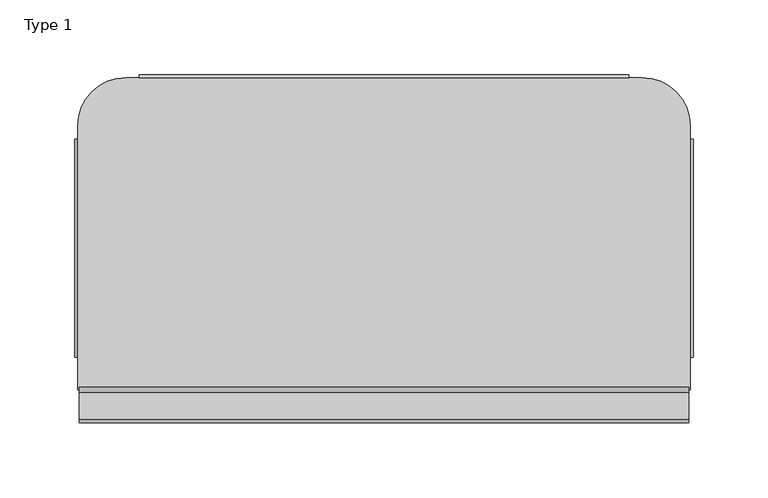
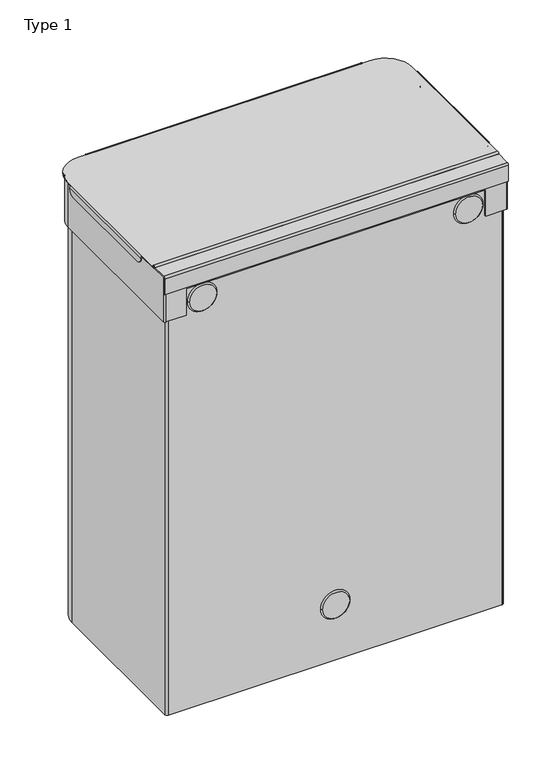
"""IFC4 building model written with IfcOpenShell, lengths in millimetres: furniture geometry, Type 1."""

from ifc_helpers import new_model, si_unit, point, frame, frame_2d, origin, place, context, project, spatial, polyline, circle_curve, trimmed, segment, composite_curve, outline, extrude, source, transform, mapped, element, save
from ifc_brep_helpers import plane_surface, cylinder_surface, revolved_surface, advanced_brep


def type_1_30b3a7b4(model_context):
    return source(origin(), model_context, "Body", "SolidModel", [
        extrude(outline(composite_curve([segment(trimmed(circle_curve(frame_2d((97.9998199, 551.9999911)), 1.6998962), [point((96.2999237, 551.9999911))], [point((99.6997162, 551.9999911))], False, "CARTESIAN"), True, "CONTINUOUS"), segment(trimmed(circle_curve(frame_2d((97.9998199, 551.9999911)), 1.6998962), [point((99.6997162, 551.9999911))], [point((96.2999237, 551.9999911))], False, "CARTESIAN"), True, "CONTINUOUS")], self_intersect=False)), frame((-78.6476732, 0.0, 0.0), z_axis=(1.0, 0.0, 0.0), x_axis=(0.0, 1.0, 0.0)), (0.0, 0.0, 1.0), 407.3202323),
        advanced_brep(
        [(-38.4999851, 307.499823, 550.0000769), (-38.4999851, 306.499884, 551.0000158), (-38.4999851, 306.499884, 551.9999911), (-38.4999851, 308.5000526, 549.9998225), (288.5000015, 308.5000526, 549.9998225), (288.5000015, 306.499884, 551.9999911), (288.5000015, 306.499884, 551.0000158), (288.5000015, 307.499823, 550.0000769), (-30.7999851, 308.5000526, 542.3000018), (280.8000015, 308.5000526, 542.3000018), (280.8000015, 307.499823, 542.3000018), (-30.7999851, 307.499823, 542.3000018), (-47.4999897, 306.499884, 551.9999911), (-79.4999897, 274.499884, 551.9999911), (-79.4999999, 265.500061, 551.9999911), (-79.4999999, 119.9999306, 551.9999911), (-79.4999897, 97.9998199, 551.9999911), (329.4999999, 97.9998199, 551.9999911), (329.4999999, 119.9999306, 551.9999911), (329.4999999, 265.500061, 551.9999911), (329.4999999, 274.499884, 551.9999911), (297.4999999, 306.499884, 551.9999911), (297.4999999, 306.499884, 551.0000158), (329.4999999, 274.499884, 551.0000158), (329.4999999, 265.500061, 551.0000158), (329.4999999, 119.9999306, 551.0000158), (329.4999999, 97.9998199, 551.0000158), (-79.4999897, 97.9998199, 551.0000158), (-79.4999999, 119.9999306, 551.0000158), (-79.4999999, 265.500061, 551.0000158), (-79.4999897, 274.499884, 551.0000158), (-47.4999897, 306.499884, 551.0000158), (330.5000025, 265.500061, 550.0000133), (331.5000005, 265.500061, 549.9999906), (331.5000005, 119.9999306, 549.9999906), (330.5000025, 119.9999306, 550.0000133), (331.5000005, 127.6999306, 542.3000018), (331.5000005, 257.800061, 542.3000018), (330.5000025, 127.6999306, 542.3000018), (330.5000025, 257.800061, 542.3000018), (-81.5000005, 265.500061, 549.9999906), (-80.5000025, 265.500061, 550.0000133), (-80.5000025, 119.9999306, 550.0000133), (-81.5000005, 119.9999306, 549.9999906), (-81.5000005, 257.800061, 542.3000018), (-81.5000005, 127.6999306, 542.3000018), (-80.5000025, 257.800061, 542.3000018), (-80.5000025, 127.6999306, 542.3000018)],
        [
            (0, 1, circle_curve(frame((-38.4999851, 306.499884, 550.0000769), z_axis=(1.0, 0.0, 0.0), x_axis=(0.0, 1.0, 0.0)), 0.999939)),
            (1, 2),
            (2, 3, circle_curve(frame((-38.4999851, 306.499884, 549.9998225), z_axis=(-1.0, 0.0, 0.0), x_axis=(0.0, 1.0, 0.0)), 2.0001686)),
            (3, 0),
            (4, 5, circle_curve(frame((288.5000015, 306.499884, 549.9998225), z_axis=(1.0, 0.0, 0.0), x_axis=(0.0, 1.0, 0.0)), 2.0001686)),
            (5, 6),
            (6, 7, circle_curve(frame((288.5000015, 306.499884, 550.0000769), z_axis=(-1.0, 0.0, 0.0), x_axis=(0.0, 1.0, 0.0)), 0.999939)),
            (7, 4),
            (8, 9),
            (9, 10),
            (10, 11),
            (11, 8),
            (7, 0),
            (0, 11, circle_curve(frame((-30.7999851, 307.499823, 550.0000018), z_axis=(0.0, -1.0, 0.0), x_axis=(-1.0, 0.0, 0.0)), 7.7)),
            (10, 7, circle_curve(frame((280.8000015, 307.499823, 550.0000018), z_axis=(0.0, -1.0, 0.0), x_axis=(-1.0, 0.0, 0.0)), 7.7)),
            (6, 1),
            (2, 5),
            (4, 3),
            (4, 9, circle_curve(frame((280.8000015, 308.5000526, 550.0000018), z_axis=(0.0, 1.0, 0.0), x_axis=(-1.0, 0.0, 0.0)), 7.7)),
            (8, 3, circle_curve(frame((-30.7999851, 308.5000526, 550.0000018), z_axis=(0.0, 1.0, 0.0), x_axis=(-1.0, 0.0, 0.0)), 7.7)),
            (12, 13, circle_curve(frame((-47.4999897, 274.499884, 551.9999911), z_axis=(0.0, 0.0, 1.0), x_axis=(-1.0, 0.0, 0.0)), 32.0)),
            (13, 14),
            (14, 15),
            (15, 16),
            (16, 17),
            (17, 18),
            (18, 19),
            (19, 20),
            (20, 21, circle_curve(frame((297.4999999, 274.499884, 551.9999911), z_axis=(0.0, 0.0, 1.0), x_axis=(-1.0, 0.0, 0.0)), 32.0)),
            (21, 5),
            (2, 12),
            (22, 23, circle_curve(frame((297.4999999, 274.499884, 551.0000158), z_axis=(0.0, 0.0, -1.0), x_axis=(-1.0, 0.0, 0.0)), 32.0)),
            (23, 24),
            (24, 25),
            (25, 26),
            (26, 27),
            (27, 28),
            (28, 29),
            (29, 30),
            (30, 31, circle_curve(frame((-47.4999897, 274.499884, 551.0000158), z_axis=(0.0, 0.0, -1.0), x_axis=(-1.0, 0.0, 0.0)), 32.0)),
            (31, 1),
            (6, 22),
            (12, 31),
            (30, 13),
            (29, 14),
            (27, 16),
            (15, 28),
            (26, 17),
            (25, 18),
            (23, 20),
            (19, 24),
            (22, 21),
            (32, 24, circle_curve(frame((329.4999999, 265.500061, 550.0000133), z_axis=(0.0, -1.0, 0.0), x_axis=(-1.0, 0.0, 0.0)), 1.0000026)),
            (19, 33, circle_curve(frame((329.4999999, 265.500061, 549.9999906), z_axis=(0.0, 1.0, 0.0), x_axis=(-1.0, 0.0, 0.0)), 2.0000006)),
            (33, 32),
            (34, 18, circle_curve(frame((329.4999999, 119.9999306, 549.9999906), z_axis=(0.0, -1.0, 0.0), x_axis=(-1.0, 0.0, 0.0)), 2.0000006)),
            (25, 35, circle_curve(frame((329.4999999, 119.9999306, 550.0000133), z_axis=(0.0, 1.0, 0.0), x_axis=(-1.0, 0.0, 0.0)), 1.0000026)),
            (35, 34),
            (33, 34),
            (34, 36, circle_curve(frame((331.5000005, 127.6999306, 550.0000018), z_axis=(1.0, 0.0, 0.0), x_axis=(0.0, 1.0, 0.0)), 7.7)),
            (36, 37),
            (37, 33, circle_curve(frame((331.5000005, 257.800061, 550.0000018), z_axis=(1.0, 0.0, 0.0), x_axis=(0.0, 1.0, 0.0)), 7.7)),
            (36, 38),
            (38, 39),
            (39, 37),
            (35, 32),
            (32, 39, circle_curve(frame((330.5000025, 257.800061, 550.0000018), z_axis=(-1.0, 0.0, 0.0), x_axis=(0.0, 1.0, 0.0)), 7.7)),
            (38, 35, circle_curve(frame((330.5000025, 127.6999306, 550.0000018), z_axis=(-1.0, 0.0, 0.0), x_axis=(0.0, 1.0, 0.0)), 7.7)),
            (40, 14, circle_curve(frame((-79.4999999, 265.500061, 549.9999906), z_axis=(0.0, 1.0, 0.0), x_axis=(1.0, 0.0, 0.0)), 2.0000006)),
            (29, 41, circle_curve(frame((-79.4999999, 265.500061, 550.0000133), z_axis=(0.0, -1.0, 0.0), x_axis=(1.0, 0.0, 0.0)), 1.0000026)),
            (41, 40),
            (42, 28, circle_curve(frame((-79.4999999, 119.9999306, 550.0000133), z_axis=(0.0, 1.0, 0.0), x_axis=(1.0, 0.0, 0.0)), 1.0000026)),
            (15, 43, circle_curve(frame((-79.4999999, 119.9999306, 549.9999906), z_axis=(0.0, -1.0, 0.0), x_axis=(1.0, 0.0, 0.0)), 2.0000006)),
            (43, 42),
            (43, 40),
            (40, 44, circle_curve(frame((-81.5000005, 257.800061, 550.0000018), z_axis=(-1.0, 0.0, 0.0), x_axis=(0.0, 1.0, 0.0)), 7.7)),
            (44, 45),
            (45, 43, circle_curve(frame((-81.5000005, 127.6999306, 550.0000018), z_axis=(-1.0, 0.0, 0.0), x_axis=(0.0, 1.0, 0.0)), 7.7)),
            (44, 46),
            (46, 47),
            (47, 45),
            (41, 42),
            (42, 47, circle_curve(frame((-80.5000025, 127.6999306, 550.0000018), z_axis=(1.0, 0.0, 0.0), x_axis=(0.0, 1.0, 0.0)), 7.7)),
            (46, 41, circle_curve(frame((-80.5000025, 257.800061, 550.0000018), z_axis=(1.0, 0.0, 0.0), x_axis=(0.0, 1.0, 0.0)), 7.7)),
        ],
        [
            plane_surface(frame((-38.4999851, 307.499823, 542.3000018), z_axis=(-1.0, 0.0, 0.0), x_axis=(0.0, -1.0, 0.0))),
            plane_surface(frame((288.5000015, 307.499823, 542.3000018), z_axis=(1.0, 0.0, 0.0), x_axis=(0.0, 1.0, 0.0))),
            plane_surface(frame((-38.4999851, 308.5000526, 542.3000018), z_axis=(0.0, 0.0, -1.0), x_axis=(1.0, 0.0, 0.0))),
            plane_surface(frame((-38.4999851, 307.499823, 542.3000018), z_axis=(0.0, -1.0, 0.0), x_axis=(1.0, 0.0, 0.0))),
            revolved_surface(polyline([(288.5000015, 307.499823, 550.0000769), (-38.4999851, 307.499823, 550.0000769)]), (288.5000015, 306.499884, 550.0000769), (1.0, 0.0, 0.0)),
            cylinder_surface(frame((288.5000015, 306.499884, 549.9998225), z_axis=(-1.0, 0.0, 0.0), x_axis=(0.0, 1.0, 0.0)), 2.0001686),
            plane_surface(frame((-38.4999851, 308.5000526, 549.9998225), z_axis=(0.0, 1.0, 0.0), x_axis=(1.0, 0.0, 0.0))),
            plane_surface(frame((-79.4999897, 274.499884, 551.9999911), z_axis=(0.0, 0.0, 1.0), x_axis=(0.0, -1.0, 0.0))),
            plane_surface(frame((-79.4999897, 274.499884, 551.0000158), z_axis=(0.0, 0.0, -1.0), x_axis=(0.0, 1.0, 0.0))),
            cylinder_surface(frame((-47.4999897, 274.499884, 551.0000158), z_axis=(0.0, 0.0, 1.0), x_axis=(-1.0, 0.0, 0.0)), 32.0),
            plane_surface(frame((-79.4999897, 274.499884, 551.9999911), z_axis=(-1.0, 0.0, 0.0), x_axis=(0.0, 0.0, -1.0))),
            plane_surface(frame((-79.4999897, 97.9998199, 551.9999911), z_axis=(0.0, -1.0, 0.0), x_axis=(0.0, 0.0, -1.0))),
            plane_surface(frame((329.4999999, 97.9998199, 551.9999911), z_axis=(1.0, 0.0, 0.0), x_axis=(0.0, 0.0, -1.0))),
            cylinder_surface(frame((297.4999999, 274.499884, 551.0000158), z_axis=(0.0, 0.0, 1.0), x_axis=(-1.0, 0.0, 0.0)), 32.0),
            plane_surface(frame((297.4999999, 306.499884, 551.9999911), z_axis=(0.0, 1.0, 0.0), x_axis=(0.0, 0.0, -1.0))),
            plane_surface(frame((328.4999974, 265.500061, 550.0000133), z_axis=(0.0, 1.0, 0.0), x_axis=(0.0, 0.0, -1.0))),
            plane_surface(frame((328.4999974, 119.9999306, 550.0000133), z_axis=(0.0, -1.0, 0.0), x_axis=(0.0, 0.0, 1.0))),
            plane_surface(frame((331.5000005, 265.500061, 549.9999906), z_axis=(1.0, 0.0, 0.0), x_axis=(0.0, -1.0, 0.0))),
            plane_surface(frame((331.5000005, 265.500061, 542.3000018), z_axis=(0.0, 0.0, -1.0), x_axis=(0.0, -1.0, 0.0))),
            plane_surface(frame((330.5000025, 265.500061, 542.3000018), z_axis=(-1.0, 0.0, 0.0), x_axis=(0.0, -1.0, 0.0))),
            revolved_surface(polyline([(328.49999729999996, 119.9999306, 550.0000133), (328.49999729999996, 265.500061, 550.0000133)]), (329.4999999, 119.9999306, 550.0000133), (0.0, -1.0, 0.0)),
            cylinder_surface(frame((329.4999999, 119.9999306, 549.9999906), z_axis=(0.0, 1.0, 0.0), x_axis=(-1.0, 0.0, 0.0)), 2.0000006),
            plane_surface(frame((-80.5000025, 265.500061, 548.4978066), z_axis=(0.0, 1.0, 0.0), x_axis=(0.0, 0.0, -1.0))),
            plane_surface(frame((-80.5000025, 119.9999306, 548.4978066), z_axis=(0.0, -1.0, 0.0), x_axis=(0.0, 0.0, 1.0))),
            plane_surface(frame((-81.5000005, 265.500061, 542.3000018), z_axis=(-1.0, 0.0, 0.0), x_axis=(0.0, -1.0, 0.0))),
            plane_surface(frame((-80.5000025, 265.500061, 542.3000018), z_axis=(0.0, 0.0, -1.0), x_axis=(0.0, -1.0, 0.0))),
            plane_surface(frame((-80.5000025, 265.500061, 550.0000133), z_axis=(1.0, 0.0, 0.0), x_axis=(0.0, -1.0, 0.0))),
            revolved_surface(polyline([(-78.4999973, 119.9999306, 550.0000133), (-78.4999973, 265.500061, 550.0000133)]), (-79.4999999, 119.9999306, 550.0000133), (0.0, -1.0, 0.0)),
            cylinder_surface(frame((-79.4999999, 119.9999306, 549.9999906), z_axis=(0.0, 1.0, 0.0), x_axis=(1.0, 0.0, 0.0)), 2.0000006),
            cylinder_surface(frame((280.8000015, 290.7999702, 550.0000018), z_axis=(0.0, -1.0, 0.0), x_axis=(-1.0, 0.0, 0.0)), 7.7),
            cylinder_surface(frame((-30.7999851, 192.7499958, 550.0000018), z_axis=(0.0, -1.0, 0.0), x_axis=(-1.0, 0.0, 0.0)), 7.7),
            cylinder_surface(frame((363.4501154, 127.6999306, 550.0000018), z_axis=(1.0, 0.0, 0.0), x_axis=(0.0, 1.0, 0.0)), 7.7),
            cylinder_surface(frame((125.0, 257.800061, 550.0000018), z_axis=(1.0, 0.0, 0.0), x_axis=(0.0, 1.0, 0.0)), 7.7),
        ],
        [
            (0, [[1, 2, 3, 4]]),
            (1, [[5, 6, 7, 8]]),
            (2, [[9, 10, 11, 12]]),
            (3, [[13, 14, -11, 15]]),
            (4, [[-1, -13, -7, 16]]),
            (5, [[-3, 17, -5, 18]]),
            (6, [[-18, 19, -9, 20]]),
            (7, [[21, 22, 23, 24, 25, 26, 27, 28, 29, 30, -17, 31]]),
            (8, [[32, 33, 34, 35, 36, 37, 38, 39, 40, 41, -16, 42]]),
            (9, [[-21, 43, -40, 44]]),
            (10, [[-44, -39, 45, -22]]),
            (10, [[46, -24, 47, -37]]),
            (11, [[-25, -46, -36, 48]]),
            (12, [[-48, -35, 49, -26]]),
            (12, [[50, -28, 51, -33]]),
            (13, [[-29, -50, -32, 52]]),
            (14, [[-43, -31, -2, -41]]),
            (14, [[-52, -42, -6, -30]]),
            (15, [[53, -51, 54, 55]]),
            (16, [[56, -49, 57, 58]]),
            (17, [[59, 60, 61, 62]]),
            (18, [[-61, 63, 64, 65]]),
            (19, [[66, 67, -64, 68]]),
            (20, [[-53, -66, -57, -34]]),
            (21, [[-54, -27, -56, -59]]),
            (22, [[69, -45, 70, 71]]),
            (23, [[72, -47, 73, 74]]),
            (24, [[75, 76, 77, 78]]),
            (25, [[-77, 79, 80, 81]]),
            (26, [[82, 83, -80, 84]]),
            (27, [[-70, -38, -72, -82]]),
            (28, [[-69, -75, -73, -23]]),
            (29, [[-8, -15, -10, -19]]),
            (30, [[-4, -20, -12, -14]]),
            (31, [[-58, -68, -63, -60]]),
            (31, [[-74, -78, -81, -83]]),
            (32, [[-55, -62, -65, -67]]),
            (32, [[-71, -84, -79, -76]]),
        ],
    ),
        extrude(outline(composite_curve([segment(polyline([(97.9998199, 551.9999911), (97.9998199, 551.0000158), (77.999939, 551.0000158)]), True, "CONTINUOUS"), segment(trimmed(circle_curve(frame_2d((77.999939, 550.0000158)), 1.0), [point((77.999939, 551.0000158))], [point((76.999939, 550.0000158))], True, "CARTESIAN"), True, "CONTINUOUS"), segment(polyline([(76.999939, 550.0000158), (76.999939, 529.9999895), (76.0, 529.9999895), (76.0, 549.9999911)]), True, "CONTINUOUS"), segment(trimmed(circle_curve(frame_2d((78.0, 549.9999911)), 2.0), [point((76.0, 549.9999911))], [point((78.0, 551.9999911))], False, "CARTESIAN"), True, "CONTINUOUS"), segment(polyline([(78.0, 551.9999911), (97.9998199, 551.9999911)]), True, "CONTINUOUS")], self_intersect=False)), frame((-78.5000144, 0.0, 0.0), z_axis=(1.0, 0.0, 0.0), x_axis=(0.0, 1.0, 0.0)), (0.0, 0.0, 1.0), 407.0000164),
        advanced_brep(
        [(328.5000019, 274.4999596, 550.0000042), (302.5000019, 300.4999596, 550.0000042), (274.5000016, 300.4999596, 550.0000042), (274.5000016, 298.4999702, 550.0000042), (274.4347669, 297.499791, 550.0000042), (299.0000021, 297.499791, 550.0000042), (324.0000021, 272.499791, 550.0000042), (324.0000021, 245.5826547, 550.0000042), (326.5000013, 245.9997978, 550.0000042), (328.5000019, 245.9997978, 550.0000042), (-52.5000144, 300.4999596, 550.0000042), (-78.5000144, 274.4999596, 550.0000042), (-78.5000144, 245.9997978, 550.0000042), (-76.5000013, 245.9997978, 550.0000042), (-74.00001, 245.5826574, 550.0000042), (-74.00001, 272.499791, 550.0000042), (-49.00001, 297.499791, 550.0000042), (-24.4347692, 297.499791, 550.0000042), (-24.5000038, 298.4999702, 550.0000042), (-24.5000038, 300.4999596, 550.0000042), (318.8000013, 79.9998169, 550.0000042), (-68.8000013, 79.9998169, 550.0000042), (-68.8000013, 76.8249496, 550.0000042), (318.8000013, 76.8249496, 550.0000042), (328.5000019, 78.8249496, 494.999982), (326.5000019, 76.8249496, 494.999982), (302.0000025, 76.8249496, 494.999982), (302.0000025, 78.9998169, 494.999982), (322.5000021, 78.9998169, 494.999982), (325.0000021, 81.4998169, 494.999982), (325.0000021, 272.499791, 494.999982), (299.0000021, 298.499791, 494.999982), (-49.00001, 298.499791, 494.999982), (-75.00001, 272.499791, 494.999982), (-75.00001, 81.4998169, 494.999982), (-72.50001, 78.9998169, 494.999982), (-52.5000144, 78.9998169, 494.999982), (-52.5000144, 76.8249496, 494.999982), (-76.5000144, 76.8249496, 494.999982), (-78.5000144, 78.8249496, 494.999982), (-78.5000144, 274.4999596, 494.999982), (-52.5000144, 300.4999596, 494.999982), (302.5000019, 300.4999596, 494.999982), (328.5000019, 274.4999596, 494.999982), (328.5000019, 245.9997978, 551.0000158), (328.5000019, 78.8249496, 551.0000158), (328.5000019, 78.8249496, 550.0000042), (-24.5000038, 300.4999596, 551.0000158), (274.5000016, 300.4999596, 551.0000158), (-78.5000144, 78.8249496, 550.0000042), (-78.5000144, 78.8249496, 551.0000158), (-78.5000144, 245.9997978, 551.0000158), (-76.5000144, 76.8249496, 550.0000042), (-52.5000144, 76.8249496, 527.9166501), (302.0000025, 76.8249496, 527.9166501), (326.5000019, 76.8249496, 550.0000042), (326.5000019, 76.8249496, 551.0000158), (318.8000013, 76.8249496, 551.0000158), (-68.8000013, 76.8249496, 551.0000158), (-76.5000019, 76.8249496, 551.0000158), (325.0000021, 81.4998169, 0.0), (322.5000021, 78.9998169, 0.0), (-72.50001, 78.9998169, 0.0), (-75.00001, 81.4998169, 0.0), (-75.00001, 272.499791, 0.0), (-49.00001, 298.499791, 0.0), (299.0000021, 298.499791, 0.0), (325.0000021, 272.499791, 0.0), (324.0000021, 272.499791, 0.0), (299.0000021, 297.499791, 0.0), (-49.00001, 297.499791, 0.0), (-74.00001, 272.499791, 0.0), (-74.00001, 81.4998169, 0.0), (-72.50001, 79.9998169, 0.0), (322.5000021, 79.9998169, 0.0), (324.0000021, 81.4998169, 0.0), (302.0000025, 78.9998169, 527.9166501), (-52.5000144, 78.9998169, 527.9166501), (324.0000021, 81.4998169, 550.0000042), (322.5000021, 79.9998169, 550.0000042), (-72.50001, 79.9998169, 550.0000042), (-74.00001, 81.4998169, 550.0000042), (-24.5000038, 298.4999702, 551.0000158), (-16.8000038, 290.7999702, 551.0000158), (266.8000016, 290.7999702, 551.0000158), (274.5000016, 298.4999702, 551.0000158), (318.8000013, 238.2997978, 551.0000158), (326.5000013, 245.9997978, 551.0000158), (-68.8000013, 238.2997978, 551.0000158), (-76.5000013, 245.9997978, 551.0000158), (266.8000016, 290.7999702, 550.0000042), (-16.8000038, 290.7999702, 550.0000042), (318.8000013, 238.2997978, 550.0000042), (-68.8000013, 238.2997978, 550.0000042)],
        [
            (0, 1, circle_curve(frame((302.5000019, 274.4999596, 550.0000042), z_axis=(0.0, 0.0, 1.0), x_axis=(-1.0, 0.0, 0.0)), 26.0)),
            (1, 2),
            (2, 3),
            (3, 4, circle_curve(frame((266.8000016, 298.4999702, 550.0000042), z_axis=(0.0, 0.0, -1.0), x_axis=(-1.0, 0.0, 0.0)), 7.7)),
            (4, 5),
            (5, 6, circle_curve(frame((299.0000021, 272.499791, 550.0000042), z_axis=(0.0, 0.0, -1.0), x_axis=(-1.0, 0.0, 0.0)), 25.0)),
            (6, 7),
            (7, 8, circle_curve(frame((326.5000013, 238.2997978, 550.0000042), z_axis=(0.0, 0.0, -1.0), x_axis=(-1.0, 0.0, 0.0)), 7.7)),
            (8, 9),
            (9, 0),
            (10, 11, circle_curve(frame((-52.5000144, 274.4999596, 550.0000042), z_axis=(0.0, 0.0, 1.0), x_axis=(-1.0, 0.0, 0.0)), 26.0)),
            (11, 12),
            (12, 13),
            (13, 14, circle_curve(frame((-76.5000013, 238.2997978, 550.0000042), z_axis=(0.0, 0.0, -1.0), x_axis=(1.0, 0.0, 0.0)), 7.7)),
            (14, 15),
            (15, 16, circle_curve(frame((-49.00001, 272.499791, 550.0000042), z_axis=(0.0, 0.0, -1.0), x_axis=(-1.0, 0.0, 0.0)), 25.0)),
            (16, 17),
            (17, 18, circle_curve(frame((-16.8000038, 298.4999702, 550.0000042), z_axis=(0.0, 0.0, -1.0), x_axis=(-1.0, 0.0, 0.0)), 7.7)),
            (18, 19),
            (19, 10),
            (20, 21),
            (21, 22),
            (22, 23),
            (23, 20),
            (24, 25, circle_curve(frame((326.5000019, 78.8249496, 494.999982), z_axis=(0.0, 0.0, -1.0), x_axis=(-1.0, 0.0, 0.0)), 2.0)),
            (25, 26),
            (26, 27),
            (27, 28),
            (28, 29, circle_curve(frame((322.5000021, 81.4998169, 494.999982), z_axis=(0.0, 0.0, 1.0), x_axis=(-1.0, 0.0, 0.0)), 2.5)),
            (29, 30),
            (30, 31, circle_curve(frame((299.0000021, 272.499791, 494.999982), z_axis=(0.0, 0.0, 1.0), x_axis=(-1.0, 0.0, 0.0)), 26.0)),
            (31, 32),
            (32, 33, circle_curve(frame((-49.00001, 272.499791, 494.999982), z_axis=(0.0, 0.0, 1.0), x_axis=(-1.0, 0.0, 0.0)), 26.0)),
            (33, 34),
            (34, 35, circle_curve(frame((-72.50001, 81.4998169, 494.999982), z_axis=(0.0, 0.0, 1.0), x_axis=(-1.0, 0.0, 0.0)), 2.5)),
            (35, 36),
            (36, 37),
            (37, 38),
            (38, 39, circle_curve(frame((-76.5000144, 78.8249496, 494.999982), z_axis=(0.0, 0.0, -1.0), x_axis=(-1.0, 0.0, 0.0)), 2.0)),
            (39, 40),
            (40, 41, circle_curve(frame((-52.5000144, 274.4999596, 494.999982), z_axis=(0.0, 0.0, -1.0), x_axis=(-1.0, 0.0, 0.0)), 26.0)),
            (41, 42),
            (42, 43, circle_curve(frame((302.5000019, 274.4999596, 494.999982), z_axis=(0.0, 0.0, -1.0), x_axis=(-1.0, 0.0, 0.0)), 26.0)),
            (43, 24),
            (43, 0),
            (9, 44),
            (44, 45),
            (45, 46),
            (46, 24),
            (42, 1),
            (41, 10),
            (19, 47),
            (47, 48),
            (48, 2),
            (40, 11),
            (39, 49),
            (49, 50),
            (50, 51),
            (51, 12),
            (38, 52),
            (52, 49, circle_curve(frame((-76.5000144, 78.8249496, 550.0000042), z_axis=(0.0, 0.0, -1.0), x_axis=(-1.0, 0.0, 0.0)), 2.0)),
            (37, 53),
            (53, 54),
            (54, 26),
            (25, 55),
            (55, 56),
            (56, 57),
            (57, 23),
            (22, 58),
            (58, 59),
            (59, 52),
            (46, 55, circle_curve(frame((326.5000019, 78.8249496, 550.0000042), z_axis=(0.0, 0.0, -1.0), x_axis=(-1.0, 0.0, 0.0)), 2.0)),
            (60, 61, circle_curve(frame((322.5000021, 81.4998169, 0.0), z_axis=(0.0, 0.0, -1.0), x_axis=(-1.0, 0.0, 0.0)), 2.5)),
            (61, 62),
            (62, 63, circle_curve(frame((-72.50001, 81.4998169, 0.0), z_axis=(0.0, 0.0, -1.0), x_axis=(-1.0, 0.0, 0.0)), 2.5)),
            (63, 64),
            (64, 65, circle_curve(frame((-49.00001, 272.499791, 0.0), z_axis=(0.0, 0.0, -1.0), x_axis=(-1.0, 0.0, 0.0)), 26.0)),
            (65, 66),
            (66, 67, circle_curve(frame((299.0000021, 272.499791, 0.0), z_axis=(0.0, 0.0, -1.0), x_axis=(-1.0, 0.0, 0.0)), 26.0)),
            (67, 60),
            (68, 69, circle_curve(frame((299.0000021, 272.499791, 0.0), z_axis=(0.0, 0.0, 1.0), x_axis=(-1.0, 0.0, 0.0)), 25.0)),
            (69, 70),
            (70, 71, circle_curve(frame((-49.00001, 272.499791, 0.0), z_axis=(0.0, 0.0, 1.0), x_axis=(-1.0, 0.0, 0.0)), 25.0)),
            (71, 72),
            (72, 73, circle_curve(frame((-72.50001, 81.4998169, 0.0), z_axis=(0.0, 0.0, 1.0), x_axis=(-1.0, 0.0, 0.0)), 1.5)),
            (73, 74),
            (74, 75, circle_curve(frame((322.5000021, 81.4998169, 0.0), z_axis=(0.0, 0.0, 1.0), x_axis=(-1.0, 0.0, 0.0)), 1.5)),
            (75, 68),
            (67, 30),
            (29, 60),
            (66, 31),
            (65, 32),
            (64, 33),
            (63, 34),
            (62, 35),
            (61, 28),
            (27, 76),
            (76, 77),
            (77, 36),
            (75, 78),
            (78, 7),
            (6, 68),
            (74, 79),
            (79, 78, circle_curve(frame((322.5000021, 81.4998169, 550.0000042), z_axis=(0.0, 0.0, 1.0), x_axis=(-1.0, 0.0, 0.0)), 1.5)),
            (73, 80),
            (80, 21),
            (20, 79),
            (72, 81),
            (81, 80, circle_curve(frame((-72.50001, 81.4998169, 550.0000042), z_axis=(0.0, 0.0, 1.0), x_axis=(-1.0, 0.0, 0.0)), 1.5)),
            (71, 15),
            (14, 81),
            (70, 16),
            (69, 5),
            (4, 17),
            (53, 77),
            (76, 54),
            (47, 82),
            (82, 83, circle_curve(frame((-16.8000038, 298.4999702, 551.0000158), z_axis=(0.0, 0.0, 1.0), x_axis=(-1.0, 0.0, 0.0)), 7.7)),
            (83, 84),
            (84, 85, circle_curve(frame((266.8000016, 298.4999702, 551.0000158), z_axis=(0.0, 0.0, 1.0), x_axis=(-1.0, 0.0, 0.0)), 7.7)),
            (85, 48),
            (86, 57),
            (56, 45, circle_curve(frame((326.5000019, 78.8249496, 551.0000158), z_axis=(0.0, 0.0, 1.0), x_axis=(-1.0, 0.0, 0.0)), 2.0)),
            (44, 87),
            (87, 86, circle_curve(frame((326.5000013, 238.2997978, 551.0000158), z_axis=(0.0, 0.0, 1.0), x_axis=(-1.0, 0.0, 0.0)), 7.7)),
            (88, 89, circle_curve(frame((-76.5000013, 238.2997978, 551.0000158), z_axis=(0.0, 0.0, 1.0), x_axis=(1.0, 0.0, 0.0)), 7.7)),
            (89, 51),
            (50, 59, circle_curve(frame((-76.5000019, 78.8249496, 551.0000158), z_axis=(0.0, 0.0, 1.0), x_axis=(1.0, 0.0, 0.0)), 2.0)),
            (58, 88),
            (90, 91),
            (91, 17, circle_curve(frame((-16.8000038, 298.4999702, 550.0000042), z_axis=(0.0, 0.0, -1.0), x_axis=(-1.0, 0.0, 0.0)), 7.7)),
            (4, 90, circle_curve(frame((266.8000016, 298.4999702, 550.0000042), z_axis=(0.0, 0.0, -1.0), x_axis=(-1.0, 0.0, 0.0)), 7.7)),
            (92, 7, circle_curve(frame((326.5000013, 238.2997978, 550.0000042), z_axis=(0.0, 0.0, -1.0), x_axis=(-1.0, 0.0, 0.0)), 7.7)),
            (20, 92),
            (93, 21),
            (14, 93, circle_curve(frame((-76.5000013, 238.2997978, 550.0000042), z_axis=(0.0, 0.0, -1.0), x_axis=(1.0, 0.0, 0.0)), 7.7)),
            (18, 82),
            (91, 83),
            (90, 84),
            (3, 85),
            (86, 92),
            (8, 87),
            (88, 93),
            (13, 89),
        ],
        [
            plane_surface(frame((320.0000021, 81.4998169, 550.0000042), z_axis=(0.0, 0.0, 1.0), x_axis=(0.0, 1.0, 0.0))),
            plane_surface(frame((320.0000021, 81.4998169, 494.999982), z_axis=(0.0, 0.0, -1.0), x_axis=(0.0, -1.0, 0.0))),
            plane_surface(frame((328.5000019, 78.8249496, 550.0000042), z_axis=(1.0, 0.0, 0.0), x_axis=(0.0, 0.0, -1.0))),
            cylinder_surface(frame((302.5000019, 274.4999596, 447.0), z_axis=(0.0, 0.0, 1.0), x_axis=(-1.0, 0.0, 0.0)), 26.0),
            plane_surface(frame((302.5000019, 300.4999596, 550.0000042), z_axis=(0.0, 1.0, 0.0), x_axis=(0.0, 0.0, -1.0))),
            cylinder_surface(frame((-52.5000144, 274.4999596, 447.0), z_axis=(0.0, 0.0, 1.0), x_axis=(-1.0, 0.0, 0.0)), 26.0),
            plane_surface(frame((-78.5000144, 274.4999596, 550.0000042), z_axis=(-1.0, 0.0, 0.0), x_axis=(0.0, 0.0, -1.0))),
            cylinder_surface(frame((-76.5000144, 78.8249496, 447.0), z_axis=(0.0, 0.0, 1.0), x_axis=(-1.0, 0.0, 0.0)), 2.0),
            plane_surface(frame((-76.5000144, 76.8249496, 550.0000042), z_axis=(0.0, -1.0, 0.0), x_axis=(0.0, 0.0, -1.0))),
            cylinder_surface(frame((326.5000019, 78.8249496, 447.0), z_axis=(0.0, 0.0, 1.0), x_axis=(-1.0, 0.0, 0.0)), 2.0),
            plane_surface(frame((325.0000021, 272.4999245, 0.0), z_axis=(0.0, 0.0, -1.0), x_axis=(0.0, -1.0, 0.0))),
            plane_surface(frame((325.0000021, 81.4998169, 550.0000042), z_axis=(1.0, 0.0, 0.0), x_axis=(0.0, 0.0, -1.0))),
            cylinder_surface(frame((299.0000021, 272.499791, 0.0), z_axis=(0.0, 0.0, 1.0), x_axis=(-1.0, 0.0, 0.0)), 26.0),
            plane_surface(frame((299.0000021, 298.499791, 550.0000042), z_axis=(0.0, 1.0, 0.0), x_axis=(0.0, 0.0, -1.0))),
            cylinder_surface(frame((-49.00001, 272.499791, 0.0), z_axis=(0.0, 0.0, 1.0), x_axis=(-1.0, 0.0, 0.0)), 26.0),
            plane_surface(frame((-75.00001, 272.499791, 550.0000042), z_axis=(-1.0, 0.0, 0.0), x_axis=(0.0, 0.0, -1.0))),
            cylinder_surface(frame((-72.50001, 81.4998169, 0.0), z_axis=(0.0, 0.0, 1.0), x_axis=(-1.0, 0.0, 0.0)), 2.5),
            plane_surface(frame((-72.50001, 78.9998169, 550.0000042), z_axis=(0.0, -1.0, 0.0), x_axis=(0.0, 0.0, -1.0))),
            cylinder_surface(frame((322.5000021, 81.4998169, 0.0), z_axis=(0.0, 0.0, 1.0), x_axis=(-1.0, 0.0, 0.0)), 2.5),
            plane_surface(frame((324.0000021, 272.499791, 550.0000042), z_axis=(-1.0, 0.0, 0.0), x_axis=(0.0, 0.0, -1.0))),
            revolved_surface(polyline([(321.0000021, 81.4998169, 0.0), (321.0000021, 81.4998169, 550.0000042)]), (322.5000021, 81.4998169, 447.0), (0.0, 0.0, -1.0)),
            plane_surface(frame((322.5000021, 79.9998169, 550.0000042), z_axis=(0.0, 1.0, 0.0), x_axis=(0.0, 0.0, -1.0))),
            revolved_surface(polyline([(-74.00001, 81.4998169, 0.0), (-74.00001, 81.4998169, 550.0000042)]), (-72.50001, 81.4998169, 447.0), (0.0, 0.0, -1.0)),
            plane_surface(frame((-74.00001, 81.4998169, 550.0000042), z_axis=(1.0, 0.0, 0.0), x_axis=(0.0, 0.0, -1.0))),
            revolved_surface(polyline([(-74.00001, 272.499791, 0.0), (-74.00001, 272.499791, 550.0000042)]), (-49.00001, 272.499791, 447.0), (0.0, 0.0, -1.0)),
            plane_surface(frame((-49.00001, 297.499791, 550.0000042), z_axis=(0.0, -1.0, 0.0), x_axis=(0.0, 0.0, -1.0))),
            revolved_surface(polyline([(274.0000021, 272.499791, 0.0), (274.0000021, 272.499791, 550.0000042)]), (299.0000021, 272.499791, 447.0), (0.0, 0.0, -1.0)),
            plane_surface(frame((-52.5000144, 78.9998169, 527.9166501), z_axis=(0.0, 0.0, -1.0), x_axis=(0.0, -1.0, 0.0))),
            plane_surface(frame((302.0000025, 78.9998169, 527.9166501), z_axis=(-1.0, 0.0, 0.0), x_axis=(0.0, -1.0, 0.0))),
            plane_surface(frame((-52.5000144, 78.9998169, 487.9166501), z_axis=(1.0, 0.0, 0.0), x_axis=(0.0, -1.0, 0.0))),
            plane_surface(frame((-24.5000038, 300.4999596, 551.0000158), z_axis=(0.0, 0.0, 1.0), x_axis=(0.0, -1.0, 0.0))),
            plane_surface(frame((-24.5000038, 300.4999596, 550.0000042), z_axis=(0.0, 0.0, -1.0), x_axis=(0.0, 1.0, 0.0))),
            plane_surface(frame((-24.5000038, 300.4999596, 551.0000158), z_axis=(-1.0, 0.0, 0.0), x_axis=(0.0, 0.0, -1.0))),
            cylinder_surface(frame((-16.8000038, 298.4999702, 550.0000042), z_axis=(0.0, 0.0, 1.0), x_axis=(-1.0, 0.0, 0.0)), 7.7),
            plane_surface(frame((-16.8000038, 290.7999702, 551.0000158), z_axis=(0.0, -1.0, 0.0), x_axis=(0.0, 0.0, -1.0))),
            cylinder_surface(frame((266.8000016, 298.4999702, 550.0000042), z_axis=(0.0, 0.0, 1.0), x_axis=(-1.0, 0.0, 0.0)), 7.7),
            plane_surface(frame((274.5000016, 298.4999702, 551.0000158), z_axis=(1.0, 0.0, 0.0), x_axis=(0.0, 0.0, -1.0))),
            plane_surface(frame((318.8000013, 238.2997978, 551.0000158), z_axis=(-1.0, 0.0, 0.0), x_axis=(0.0, 0.0, -1.0))),
            plane_surface(frame((328.5000019, 245.9997978, 551.0000158), z_axis=(0.0, 1.0, 0.0), x_axis=(0.0, 0.0, -1.0))),
            cylinder_surface(frame((326.5000013, 238.2997978, 447.0), z_axis=(0.0, 0.0, 1.0), x_axis=(-1.0, 0.0, 0.0)), 7.7),
            cylinder_surface(frame((-76.5000013, 238.2997978, 447.0), z_axis=(0.0, 0.0, 1.0), x_axis=(1.0, 0.0, 0.0)), 7.7),
            plane_surface(frame((-76.5000013, 245.9997978, 551.0000158), z_axis=(0.0, 1.0, 0.0), x_axis=(0.0, 0.0, -1.0))),
            cylinder_surface(frame((-76.5000019, 78.8249496, 447.0), z_axis=(0.0, 0.0, 1.0), x_axis=(1.0, 0.0, 0.0)), 2.0),
            plane_surface(frame((-68.8000013, 76.8249496, 551.0000158), z_axis=(1.0, 0.0, 0.0), x_axis=(0.0, 0.0, -1.0))),
        ],
        [
            (0, [[1, 2, 3, 4, 5, 6, 7, 8, 9, 10]]),
            (0, [[11, 12, 13, 14, 15, 16, 17, 18, 19, 20]]),
            (0, [[21, 22, 23, 24]]),
            (1, [[25, 26, 27, 28, 29, 30, 31, 32, 33, 34, 35, 36, 37, 38, 39, 40, 41, 42, 43, 44]]),
            (2, [[-44, 45, -10, 46, 47, 48, 49]]),
            (3, [[-1, -45, -43, 50]]),
            (4, [[-42, 51, -20, 52, 53, 54, -2, -50]]),
            (5, [[-11, -51, -41, 55]]),
            (6, [[-40, 56, 57, 58, 59, -12, -55]]),
            (7, [[-39, 60, 61, -56]]),
            (8, [[-60, -38, 62, 63, 64, -26, 65, 66, 67, 68, -23, 69, 70, 71]]),
            (9, [[-25, -49, 72, -65]]),
            (10, [[73, 74, 75, 76, 77, 78, 79, 80], [81, 82, 83, 84, 85, 86, 87, 88]]),
            (11, [[-80, 89, -30, 90]]),
            (12, [[-79, 91, -31, -89]]),
            (13, [[-78, 92, -32, -91]]),
            (14, [[-77, 93, -33, -92]]),
            (15, [[-76, 94, -34, -93]]),
            (16, [[-75, 95, -35, -94]]),
            (17, [[-74, 96, -28, 97, 98, 99, -36, -95]]),
            (18, [[-73, -90, -29, -96]]),
            (19, [[-88, 100, 101, -7, 102]]),
            (20, [[-87, 103, 104, -100]]),
            (21, [[-86, 105, 106, -21, 107, -103]]),
            (22, [[-85, 108, 109, -105]]),
            (23, [[-84, 110, -15, 111, -108]]),
            (24, [[-16, -110, -83, 112]]),
            (25, [[-82, 113, -5, 114, -17, -112]]),
            (26, [[-6, -113, -81, -102]]),
            (27, [[115, -98, 116, -63]]),
            (28, [[-116, -97, -27, -64]]),
            (29, [[-115, -62, -37, -99]]),
            (30, [[117, 118, 119, 120, 121, -53]]),
            (30, [[122, -67, 123, -47, 124, 125]]),
            (30, [[126, 127, -58, 128, -70, 129]]),
            (31, [[130, 131, -114, 132]]),
            (31, [[133, -101, -104, -107, 134]]),
            (31, [[135, -106, -109, -111, 136]]),
            (32, [[-117, -52, -19, 137]]),
            (33, [[-118, -137, -18, -131, 138]]),
            (34, [[-119, -138, -130, 139]]),
            (35, [[-120, -139, -132, -4, 140]]),
            (36, [[-121, -140, -3, -54]]),
            (37, [[-122, 141, -134, -24, -68]]),
            (9, [[-123, -66, -72, -48]]),
            (38, [[-124, -46, -9, 142]]),
            (39, [[-125, -142, -8, -133, -141]]),
            (40, [[-126, 143, -136, -14, 144]]),
            (41, [[-127, -144, -13, -59]]),
            (42, [[-128, -57, -61, -71]]),
            (43, [[-129, -69, -22, -135, -143]]),
        ],
    ),
        advanced_brep(
        [(140.874998, 76.8249496, 70.0000014), (109.125002, 76.8249496, 70.0000014), (143.0499999, 78.9998169, 70.0000014), (106.9500001, 78.9998169, 70.0000014)],
        [
            (0, 1, circle_curve(frame((125.0, 76.8249496, 70.0000014), z_axis=(0.0, -1.0, 0.0), x_axis=(1.0, 0.0, 0.0)), 15.874998)),
            (1, 0, circle_curve(frame((125.0, 76.8249496, 70.0000014), z_axis=(0.0, -1.0, 0.0), x_axis=(-1.0, 0.0, 0.0)), 15.874998)),
            (2, 3, circle_curve(frame((125.0, 78.9998169, 70.0000014), z_axis=(0.0, 1.0, 0.0), x_axis=(-1.0, 0.0, 0.0)), 18.0499999)),
            (3, 2, circle_curve(frame((125.0, 78.9998169, 70.0000014), z_axis=(0.0, 1.0, 0.0), x_axis=(1.0, 0.0, 0.0)), 18.0499999)),
            (2, 0),
            (1, 3),
        ],
        [
            plane_surface(frame((125.0, 76.8249496, 70.0000014), z_axis=(0.0, -1.0, 0.0), x_axis=(0.0, 0.0, -1.0))),
            plane_surface(frame((125.0, 78.9998169, 70.0000014), z_axis=(0.0, 1.0, 0.0), x_axis=(0.0, 0.0, -1.0))),
            revolved_surface(polyline([(109.12500204527353, 76.8249496, 70.0000014), (106.9500001, 78.9998169, 70.0000014)]), (125.0, 60.9509344, 70.0000014), (0.0, 1.0, 0.0)),
            revolved_surface(polyline([(140.87499795472647, 76.8249496, 70.0000014), (143.0499999, 78.9998169, 70.0000014)]), (125.0, 60.9509344, 70.0000014), (0.0, 1.0, 0.0)),
        ],
        [
            (0, [[1, 2]]),
            (1, [[3, 4]]),
            (2, [[-3, 5, -2, 6]]),
            (3, [[-4, -6, -1, -5]]),
        ],
    ),
        advanced_brep(
        [(-48.3749994, 76.8249496, 509.999993), (-16.6250034, 76.8249496, 509.999993), (-50.5500013, 78.9998169, 509.999993), (-14.4500015, 78.9998169, 509.999993)],
        [
            (0, 1, circle_curve(frame((-32.5000014, 76.8249496, 509.999993), z_axis=(0.0, -1.0, 0.0), x_axis=(-1.0, 0.0, 0.0)), 15.874998)),
            (1, 0, circle_curve(frame((-32.5000014, 76.8249496, 509.999993), z_axis=(0.0, -1.0, 0.0), x_axis=(1.0, 0.0, 0.0)), 15.874998)),
            (2, 3, circle_curve(frame((-32.5000014, 78.9998169, 509.999993), z_axis=(0.0, 1.0, 0.0), x_axis=(1.0, 0.0, 0.0)), 18.0499999)),
            (3, 2, circle_curve(frame((-32.5000014, 78.9998169, 509.999993), z_axis=(0.0, 1.0, 0.0), x_axis=(-1.0, 0.0, 0.0)), 18.0499999)),
            (3, 1),
            (0, 2),
        ],
        [
            plane_surface(frame((-32.5000014, 76.8249496, 509.999993), z_axis=(0.0, -1.0, 0.0), x_axis=(0.0, 0.0, 1.0))),
            plane_surface(frame((-32.5000014, 78.9998169, 509.999993), z_axis=(0.0, 1.0, 0.0), x_axis=(0.0, 0.0, 1.0))),
            revolved_surface(polyline([(-48.37499935472647, 76.8249496, 509.999993), (-50.5500013, 78.9998169, 509.999993)]), (-32.5000014, 60.9509344, 509.999993), (0.0, 1.0, 0.0)),
            revolved_surface(polyline([(-16.625003445273528, 76.8249496, 509.999993), (-14.450001499999999, 78.9998169, 509.999993)]), (-32.5000014, 60.9509344, 509.999993), (0.0, 1.0, 0.0)),
        ],
        [
            (0, [[1, 2]]),
            (1, [[3, 4]]),
            (2, [[-4, 5, -1, 6]]),
            (3, [[-3, -6, -2, -5]]),
        ],
    ),
        advanced_brep(
        [(298.3749994, 76.8249496, 509.999993), (266.6250034, 76.8249496, 509.999993), (300.5500013, 78.9998169, 509.999993), (264.4500015, 78.9998169, 509.999993)],
        [
            (0, 1, circle_curve(frame((282.5000014, 76.8249496, 509.999993), z_axis=(0.0, -1.0, 0.0), x_axis=(1.0, 0.0, 0.0)), 15.874998)),
            (1, 0, circle_curve(frame((282.5000014, 76.8249496, 509.999993), z_axis=(0.0, -1.0, 0.0), x_axis=(-1.0, 0.0, 0.0)), 15.874998)),
            (2, 3, circle_curve(frame((282.5000014, 78.9998169, 509.999993), z_axis=(0.0, 1.0, 0.0), x_axis=(-1.0, 0.0, 0.0)), 18.0499999)),
            (3, 2, circle_curve(frame((282.5000014, 78.9998169, 509.999993), z_axis=(0.0, 1.0, 0.0), x_axis=(1.0, 0.0, 0.0)), 18.0499999)),
            (2, 0),
            (1, 3),
        ],
        [
            plane_surface(frame((282.5000014, 76.8249496, 509.999993), z_axis=(0.0, -1.0, 0.0), x_axis=(0.0, 0.0, -1.0))),
            plane_surface(frame((282.5000014, 78.9998169, 509.999993), z_axis=(0.0, 1.0, 0.0), x_axis=(0.0, 0.0, -1.0))),
            revolved_surface(polyline([(266.62500344527353, 76.8249496, 509.999993), (264.4500015, 78.9998169, 509.999993)]), (282.5000014, 60.9509344, 509.999993), (0.0, 1.0, 0.0)),
            revolved_surface(polyline([(298.37499935472647, 76.8249496, 509.999993), (300.5500013, 78.9998169, 509.999993)]), (282.5000014, 60.9509344, 509.999993), (0.0, 1.0, 0.0)),
        ],
        [
            (0, [[1, 2]]),
            (1, [[3, 4]]),
            (2, [[-3, 5, -2, 6]]),
            (3, [[-4, -6, -1, -5]]),
        ],
    ),
        extrude(outline(composite_curve([segment(polyline([(324.0000021, 272.499791), (324.0000021, 81.4998169)]), True, "CONTINUOUS"), segment(trimmed(circle_curve(frame_2d((322.5000021, 81.4998169)), 1.5), [point((324.0000021, 81.4998169))], [point((322.5000021, 79.9998169))], False, "CARTESIAN"), True, "CONTINUOUS"), segment(polyline([(322.5000021, 79.9998169), (-72.50001, 79.9998169)]), True, "CONTINUOUS"), segment(trimmed(circle_curve(frame_2d((-72.50001, 81.4998169)), 1.5), [point((-72.50001, 79.9998169))], [point((-74.00001, 81.4998169))], False, "CARTESIAN"), True, "CONTINUOUS"), segment(polyline([(-74.00001, 81.4998169), (-74.00001, 272.499791)]), True, "CONTINUOUS"), segment(trimmed(circle_curve(frame_2d((-49.00001, 272.499791)), 25.0), [point((-74.00001, 272.499791))], [point((-49.00001, 297.499791))], False, "CARTESIAN"), True, "CONTINUOUS"), segment(polyline([(-49.00001, 297.499791), (299.0000021, 297.499791)]), True, "CONTINUOUS"), segment(trimmed(circle_curve(frame_2d((299.0000021, 272.499791)), 25.0), [point((299.0000021, 297.499791))], [point((324.0000021, 272.499791))], False, "CARTESIAN"), True, "CONTINUOUS")], self_intersect=False)), frame((0.0, 0.0, 15.6000005), z_axis=(0.0, 0.0, 1.0), x_axis=(1.0, 0.0, 0.0)), (0.0, 0.0, 1.0), 0.9999991),
    ])


if __name__ == "__main__":
    model = new_model("IFC4")
    model_context = context("Model", 3, world=origin())
    ifc_project = project(units=[si_unit("LENGTHUNIT", "METRE", prefix="MILLI")], contexts=[model_context])
    site = spatial("IfcSite", under=ifc_project)
    building = spatial("IfcBuilding", under=site)
    placement = place(None, origin())
    type_1_shape = type_1_30b3a7b4(model_context)
    element("IfcFurniture", 1, ObjectType="Type 1", at=placement, inside=building, context=model_context, shape_type="MappedRepresentation", body=[
        mapped(type_1_shape, transform((0.0, 0.0, 0.0), x_axis=(1.0, 0.0, 0.0), y_axis=(0.0, 1.0, 0.0), z_axis=(0.0, 0.0, 1.0))),
    ])
    save(model, "model.ifc")
